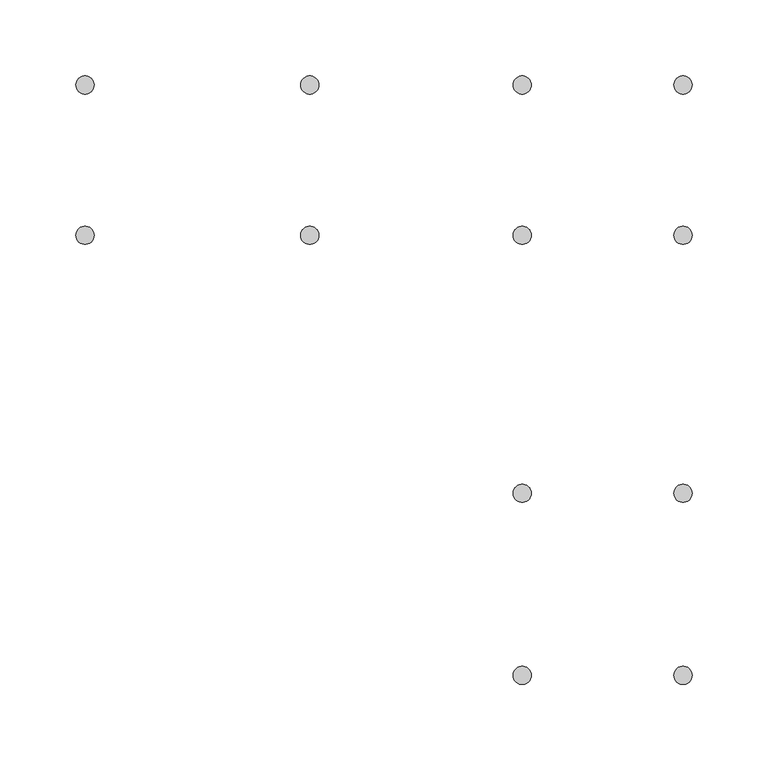
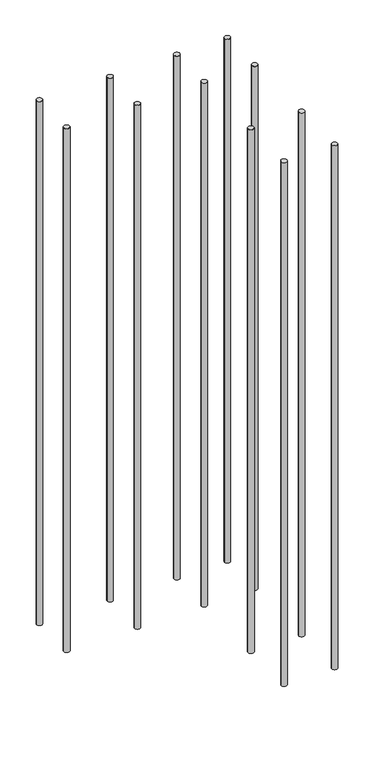
"""IFC4 building model written with IfcOpenShell, lengths in millimetres: proxy geometry."""

from ifc_helpers import new_model, si_unit, point, frame, frame_2d, origin, place, context, project, spatial, circle_curve, trimmed, segment, composite_curve, outline, extrude, source, transform, mapped, element, save


def generic_models_89d3ea23(model_context):
    return source(origin(), model_context, "Body", "SweptSolid", [
        extrude(outline(composite_curve([segment(trimmed(circle_curve(frame_2d((18299.8265066, 11618.1304458)), 6.0), [point((18293.8265066, 11618.1304458))], [point((18305.8265066, 11618.1304458))], False, "CARTESIAN"), True, "CONTINUOUS"), segment(trimmed(circle_curve(frame_2d((18299.8265066, 11618.1304458)), 6.0), [point((18305.8265066, 11618.1304458))], [point((18293.8265066, 11618.1304458))], False, "CARTESIAN"), True, "CONTINUOUS")], self_intersect=False)), frame((0.0, 0.0, 5800.0), z_axis=(0.0, 0.0, 1.0), x_axis=(1.0, 0.0, 0.0)), (0.0, 0.0, 1.0), 1160.0),
        extrude(outline(composite_curve([segment(trimmed(circle_curve(frame_2d((18193.8265066, 11618.1304458)), 6.0), [point((18187.8265066, 11618.1304458))], [point((18199.8265066, 11618.1304458))], False, "CARTESIAN"), True, "CONTINUOUS"), segment(trimmed(circle_curve(frame_2d((18193.8265066, 11618.1304458)), 6.0), [point((18199.8265066, 11618.1304458))], [point((18187.8265066, 11618.1304458))], False, "CARTESIAN"), True, "CONTINUOUS")], self_intersect=False)), frame((0.0, 0.0, 5800.0), z_axis=(0.0, 0.0, 1.0), x_axis=(1.0, 0.0, 0.0)), (0.0, 0.0, 1.0), 1160.0),
        extrude(outline(composite_curve([segment(trimmed(circle_curve(frame_2d((18299.8265066, 11498.1304458)), 6.0), [point((18293.8265066, 11498.1304458))], [point((18305.8265066, 11498.1304458))], False, "CARTESIAN"), True, "CONTINUOUS"), segment(trimmed(circle_curve(frame_2d((18299.8265066, 11498.1304458)), 6.0), [point((18305.8265066, 11498.1304458))], [point((18293.8265066, 11498.1304458))], False, "CARTESIAN"), True, "CONTINUOUS")], self_intersect=False)), frame((0.0, 0.0, 5800.0), z_axis=(0.0, 0.0, 1.0), x_axis=(1.0, 0.0, 0.0)), (0.0, 0.0, 1.0), 1160.0),
        extrude(outline(composite_curve([segment(trimmed(circle_curve(frame_2d((18193.8265066, 11498.1304458)), 6.0), [point((18187.8265066, 11498.1304458))], [point((18199.8265066, 11498.1304458))], False, "CARTESIAN"), True, "CONTINUOUS"), segment(trimmed(circle_curve(frame_2d((18193.8265066, 11498.1304458)), 6.0), [point((18199.8265066, 11498.1304458))], [point((18187.8265066, 11498.1304458))], False, "CARTESIAN"), True, "CONTINUOUS")], self_intersect=False)), frame((0.0, 0.0, 5800.0), z_axis=(0.0, 0.0, 1.0), x_axis=(1.0, 0.0, 0.0)), (0.0, 0.0, 1.0), 1160.0),
        extrude(outline(composite_curve([segment(trimmed(circle_curve(frame_2d((18299.8265066, 11788.1304458)), 6.0), [point((18293.8265066, 11788.1304458))], [point((18305.8265066, 11788.1304458))], False, "CARTESIAN"), True, "CONTINUOUS"), segment(trimmed(circle_curve(frame_2d((18299.8265066, 11788.1304458)), 6.0), [point((18305.8265066, 11788.1304458))], [point((18293.8265066, 11788.1304458))], False, "CARTESIAN"), True, "CONTINUOUS")], self_intersect=False)), frame((0.0, 0.0, 5800.0), z_axis=(0.0, 0.0, 1.0), x_axis=(1.0, 0.0, 0.0)), (0.0, 0.0, 1.0), 1160.0),
        extrude(outline(composite_curve([segment(trimmed(circle_curve(frame_2d((18193.8265066, 11788.1304458)), 6.0), [point((18187.8265066, 11788.1304458))], [point((18199.8265066, 11788.1304458))], False, "CARTESIAN"), True, "CONTINUOUS"), segment(trimmed(circle_curve(frame_2d((18193.8265066, 11788.1304458)), 6.0), [point((18199.8265066, 11788.1304458))], [point((18187.8265066, 11788.1304458))], False, "CARTESIAN"), True, "CONTINUOUS")], self_intersect=False)), frame((0.0, 0.0, 5800.0), z_axis=(0.0, 0.0, 1.0), x_axis=(1.0, 0.0, 0.0)), (0.0, 0.0, 1.0), 1160.0),
        extrude(outline(composite_curve([segment(trimmed(circle_curve(frame_2d((18299.8265066, 11887.21218)), 6.0), [point((18293.8265066, 11887.21218))], [point((18305.8265066, 11887.21218))], False, "CARTESIAN"), True, "CONTINUOUS"), segment(trimmed(circle_curve(frame_2d((18299.8265066, 11887.21218)), 6.0), [point((18305.8265066, 11887.21218))], [point((18293.8265066, 11887.21218))], False, "CARTESIAN"), True, "CONTINUOUS")], self_intersect=False)), frame((0.0, 0.0, 5800.0), z_axis=(0.0, 0.0, 1.0), x_axis=(1.0, 0.0, 0.0)), (0.0, 0.0, 1.0), 1160.0),
        extrude(outline(composite_curve([segment(trimmed(circle_curve(frame_2d((18193.8265066, 11887.21218)), 6.0), [point((18187.8265066, 11887.21218))], [point((18199.8265066, 11887.21218))], False, "CARTESIAN"), True, "CONTINUOUS"), segment(trimmed(circle_curve(frame_2d((18193.8265066, 11887.21218)), 6.0), [point((18199.8265066, 11887.21218))], [point((18187.8265066, 11887.21218))], False, "CARTESIAN"), True, "CONTINUOUS")], self_intersect=False)), frame((0.0, 0.0, 5800.0), z_axis=(0.0, 0.0, 1.0), x_axis=(1.0, 0.0, 0.0)), (0.0, 0.0, 1.0), 1160.0),
        extrude(outline(composite_curve([segment(trimmed(circle_curve(frame_2d((18053.8265066, 11788.1304458)), 6.0), [point((18047.8265066, 11788.1304458))], [point((18059.8265066, 11788.1304458))], False, "CARTESIAN"), True, "CONTINUOUS"), segment(trimmed(circle_curve(frame_2d((18053.8265066, 11788.1304458)), 6.0), [point((18059.8265066, 11788.1304458))], [point((18047.8265066, 11788.1304458))], False, "CARTESIAN"), True, "CONTINUOUS")], self_intersect=False)), frame((0.0, 0.0, 5800.0), z_axis=(0.0, 0.0, 1.0), x_axis=(1.0, 0.0, 0.0)), (0.0, 0.0, 1.0), 1160.0),
        extrude(outline(composite_curve([segment(trimmed(circle_curve(frame_2d((18053.8265066, 11887.21218)), 6.0), [point((18047.8265066, 11887.21218))], [point((18059.8265066, 11887.21218))], False, "CARTESIAN"), True, "CONTINUOUS"), segment(trimmed(circle_curve(frame_2d((18053.8265066, 11887.21218)), 6.0), [point((18059.8265066, 11887.21218))], [point((18047.8265066, 11887.21218))], False, "CARTESIAN"), True, "CONTINUOUS")], self_intersect=False)), frame((0.0, 0.0, 5800.0), z_axis=(0.0, 0.0, 1.0), x_axis=(1.0, 0.0, 0.0)), (0.0, 0.0, 1.0), 1160.0),
        extrude(outline(composite_curve([segment(trimmed(circle_curve(frame_2d((17905.7015066, 11788.1304458)), 6.0), [point((17899.7015066, 11788.1304458))], [point((17911.7015066, 11788.1304458))], False, "CARTESIAN"), True, "CONTINUOUS"), segment(trimmed(circle_curve(frame_2d((17905.7015066, 11788.1304458)), 6.0), [point((17911.7015066, 11788.1304458))], [point((17899.7015066, 11788.1304458))], False, "CARTESIAN"), True, "CONTINUOUS")], self_intersect=False)), frame((0.0, 0.0, 5800.0), z_axis=(0.0, 0.0, 1.0), x_axis=(1.0, 0.0, 0.0)), (0.0, 0.0, 1.0), 1160.0),
        extrude(outline(composite_curve([segment(trimmed(circle_curve(frame_2d((17905.7015066, 11887.21218)), 6.0), [point((17899.7015066, 11887.21218))], [point((17911.7015066, 11887.21218))], False, "CARTESIAN"), True, "CONTINUOUS"), segment(trimmed(circle_curve(frame_2d((17905.7015066, 11887.21218)), 6.0), [point((17911.7015066, 11887.21218))], [point((17899.7015066, 11887.21218))], False, "CARTESIAN"), True, "CONTINUOUS")], self_intersect=False)), frame((0.0, 0.0, 5800.0), z_axis=(0.0, 0.0, 1.0), x_axis=(1.0, 0.0, 0.0)), (0.0, 0.0, 1.0), 1160.0),
    ])


if __name__ == "__main__":
    model = new_model("IFC4")
    model_context = context("Model", 3, world=origin())
    ifc_project = project(units=[si_unit("LENGTHUNIT", "METRE", prefix="MILLI")], contexts=[model_context])
    site = spatial("IfcSite", under=ifc_project)
    building = spatial("IfcBuilding", under=site)
    placement = place(None, origin())
    generic_models_shape = generic_models_89d3ea23(model_context)
    element("IfcBuildingElementProxy", 1, Name="Generic Models", at=placement, inside=building, context=model_context, shape_type="MappedRepresentation", body=[
        mapped(generic_models_shape, transform((0.0, 0.0, 0.0), x_axis=(1.0, 0.0, 0.0), y_axis=(0.0, 1.0, 0.0), z_axis=(0.0, 0.0, 1.0))),
    ])
    save(model, "model.ifc")
